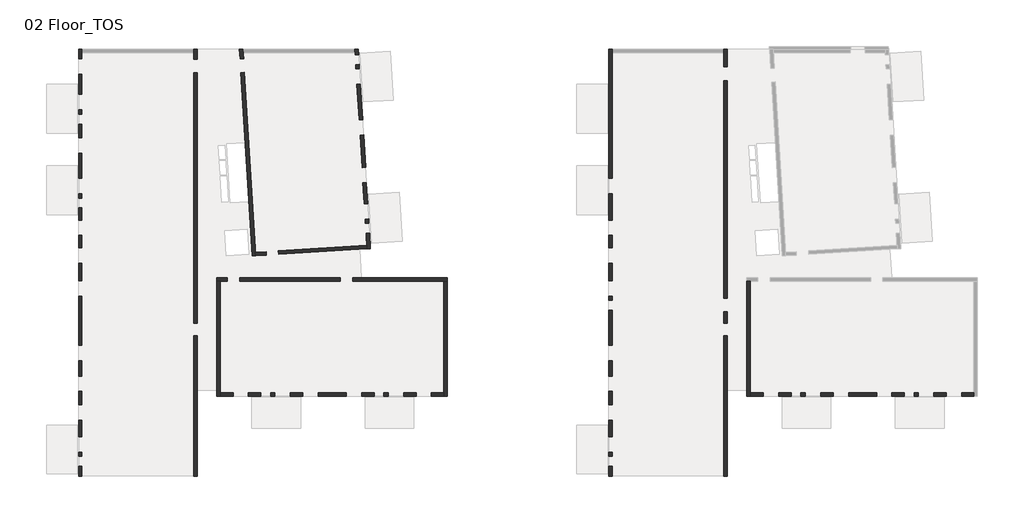
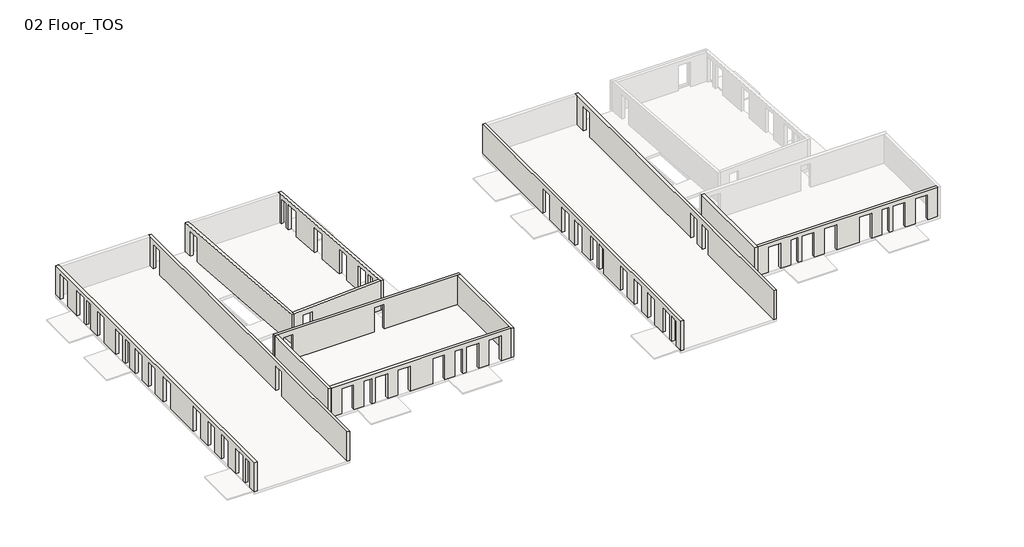
# One storey, part 1 of 2: 13 walls.
"""IFC4 building model written with IfcOpenShell, lengths in millimetres."""

from ifc_helpers import new_model, si_unit, frame, origin, place, context, project, spatial, polyline, outline, extrude, faceted_brep, element, save

model = new_model("IFC4")

# Units and contexts
model_context = context("Model", 3, world=origin())
ifc_project = project(units=[si_unit("LENGTHUNIT", "METRE", prefix="MILLI")], contexts=[model_context])

# Site, building, storey
site = spatial("IfcSite", under=ifc_project)
building = spatial("IfcBuilding", under=site)
storey = spatial("IfcBuildingStorey", under=building, Name="02 Floor_TOS", Elevation=6850.0)

# Walls
placement = place(None, origin())
element("IfcWall", 1, ObjectType="STB(25)", at=placement, inside=storey, context=model_context, shape_type="Brep", body=[
    faceted_brep([(26949.2752583, 33257.8507754, 9600.0), (27822.7531326, 18976.6137696, 9600.0), (27822.7531326, 18976.6137696, 6850.0), (27754.3968698, 20094.228786, 6850.0), (27754.3968698, 20094.228786, 9200.0), (27711.6628922, 20792.9231449, 9200.0), (27711.6628922, 20792.9231449, 6850.0), (27692.7378448, 21102.3449336, 6850.0), (27692.7378448, 21102.3449336, 9200.0), (27625.5844513, 22200.2932118, 9200.0), (27625.5844513, 22200.2932118, 6850.0), (27534.1772783, 23694.7872811, 6850.0), (27534.1772783, 23694.7872811, 9200.0), (27467.0238848, 24792.7355593, 9200.0), (27467.0238848, 24792.7355593, 6850.0), (27324.1703023, 27128.3709876, 6850.0), (27324.1703023, 27128.3709876, 9200.0), (27257.0169088, 28226.3192659, 9200.0), (27257.0169088, 28226.3192659, 6850.0), (27101.343133, 30771.5630019, 6850.0), (27101.343133, 30771.5630019, 9200.0), (27034.1897395, 31869.5112801, 9200.0), (27034.1897395, 31869.5112801, 6850.0), (27015.2646922, 32178.9330676, 6850.0), (27015.2646922, 32178.9330676, 9200.0), (26972.5307145, 32877.6274265, 9200.0), (26972.5307145, 32877.6274265, 6850.0), (26949.2752583, 33257.8507754, 6850.0), (27573.2194329, 18961.3516347, 9600.0), (27557.9572981, 19210.8853343, 9600.0), (26714.0987416, 33007.8507754, 9600.0), (26698.8080865, 33257.8507754, 9600.0), (26698.8080865, 33257.8507754, 6850.0), (26714.0987416, 33007.8507754, 6850.0), (26722.9970149, 32862.3652917, 6850.0), (26722.9970149, 32862.3652917, 9200.0), (26765.7309926, 32163.6709328, 9200.0), (26765.7309926, 32163.6709328, 6850.0), (26784.6560399, 31854.2491452, 6850.0), (26784.6560399, 31854.2491452, 9200.0), (26851.8094334, 30756.300867, 9200.0), (26851.8094334, 30756.300867, 6850.0), (27007.4832092, 28211.057131, 6850.0), (27007.4832092, 28211.057131, 9200.0), (27074.6366027, 27113.1088527, 9200.0), (27074.6366027, 27113.1088527, 6850.0), (27217.4901852, 24777.4734244, 6850.0), (27217.4901852, 24777.4734244, 9200.0), (27284.6435787, 23679.5251462, 9200.0), (27284.6435787, 23679.5251462, 6850.0), (27376.0507517, 22185.031077, 6850.0), (27376.0507517, 22185.031077, 9200.0), (27443.2041452, 21087.0827987, 9200.0), (27443.2041452, 21087.0827987, 6850.0), (27462.1291926, 20777.66101, 6850.0), (27462.1291926, 20777.66101, 9200.0), (27504.8631702, 20078.9666511, 9200.0), (27504.8631702, 20078.9666511, 6850.0), (27557.9572981, 19210.8853343, 6850.0), (27573.2194329, 18961.3516347, 6850.0)], [[[0, 1, 2, 3, 4, 5, 6, 7, 8, 9, 10, 11, 12, 13, 14, 15, 16, 17, 18, 19, 20, 21, 22, 23, 24, 25, 26, 27]], [[28, 29, 30, 31, 32, 33, 34, 35, 36, 37, 38, 39, 40, 41, 42, 43, 44, 45, 46, 47, 48, 49, 50, 51, 52, 53, 54, 55, 56, 57, 58, 59]], [[37, 23, 22, 38]], [[2, 59, 58, 57, 3]], [[41, 19, 18, 42]], [[10, 50, 49, 11]], [[53, 7, 6, 54]], [[26, 34, 33, 32, 27]], [[45, 15, 14, 46]], [[1, 0, 31, 30, 29, 28]], [[25, 35, 34, 26]], [[36, 24, 23, 37]], [[56, 4, 3, 57]], [[5, 55, 54, 6]], [[2, 1, 28, 59]], [[20, 40, 39, 21]], [[40, 20, 19, 41]], [[21, 39, 38, 22]], [[8, 52, 51, 9]], [[9, 51, 50, 10]], [[52, 8, 7, 53]], [[24, 36, 35, 25]], [[4, 56, 55, 5]], [[16, 44, 43, 17]], [[44, 16, 15, 45]], [[17, 43, 42, 18]], [[12, 48, 47, 13]], [[48, 12, 11, 49]], [[13, 47, 46, 14]], [[0, 27, 32, 31]]]),
])
element("IfcWall", 2, ObjectType="STB(25)", at=placement, inside=storey, context=model_context, shape_type="Brep", body=[
    faceted_brep([(7149.5112257, 33257.8507754, 6850.0), (7149.5112257, 33257.8507754, 9600.0), (7149.5112257, 2867.8570406, 9600.0), (7149.5112257, 2667.8570406, 9600.0), (7149.5112257, 2667.8570406, 7000.0), (7149.5112257, 2667.8570406, 6850.0), (7149.5112257, 3382.8585979, 6850.0), (7149.5112257, 3382.8585979, 9200.0), (7149.5112257, 4082.8585979, 9200.0), (7149.5112257, 4082.8585979, 6850.0), (7149.5112257, 4392.8585979, 6850.0), (7149.5112257, 4392.8585979, 9200.0), (7149.5112257, 5492.8585979, 9200.0), (7149.5112257, 5492.8585979, 6850.0), (7149.5112257, 6682.8585979, 6850.0), (7149.5112257, 6682.8585979, 9200.0), (7149.5112257, 7782.8585979, 9200.0), (7149.5112257, 7782.8585979, 6850.0), (7149.5112257, 8742.8585979, 6850.0), (7149.5112257, 8742.8585979, 9200.0), (7149.5112257, 9842.8585979, 9200.0), (7149.5112257, 9842.8585979, 6850.0), (7149.5112257, 10952.8585985, 6850.0), (7149.5112257, 10952.8585985, 9200.0), (7149.5112257, 12052.8585985, 9200.0), (7149.5112257, 12052.8585985, 6850.0), (7149.5112257, 15572.8585987, 6850.0), (7149.5112257, 15572.8585987, 9200.0), (7149.5112257, 16672.8585987, 9200.0), (7149.5112257, 16672.8585987, 6850.0), (7149.5112257, 17922.8585979, 6850.0), (7149.5112257, 17922.8585979, 9200.0), (7149.5112257, 19022.8585979, 9200.0), (7149.5112257, 19022.8585979, 6850.0), (7149.5112257, 19922.8585979, 6850.0), (7149.5112257, 19922.8585979, 9200.0), (7149.5112257, 21022.8585979, 9200.0), (7149.5112257, 21022.8585979, 6850.0), (7149.5112257, 21902.8585979, 6850.0), (7149.5112257, 21902.8585979, 9200.0), (7149.5112257, 22602.8585979, 9200.0), (7149.5112257, 22602.8585979, 6850.0), (7149.5112257, 22922.8585979, 6850.0), (7149.5112257, 22922.8585979, 9200.0), (7149.5112257, 24022.8585979, 9200.0), (7149.5112257, 24022.8585979, 6850.0), (7149.5112257, 25822.8585979, 6850.0), (7149.5112257, 25822.8585979, 9200.0), (7149.5112257, 26922.8585979, 9200.0), (7149.5112257, 26922.8585979, 6850.0), (7149.5112257, 27902.7138078, 6850.0), (7149.5112257, 27902.7138078, 9200.0), (7149.5112257, 28602.7138078, 9200.0), (7149.5112257, 28602.7138078, 6850.0), (7149.5112257, 28922.7138078, 6850.0), (7149.5112257, 28922.7138078, 9200.0), (7149.5112257, 30022.7138078, 9200.0), (7149.5112257, 30022.7138078, 6850.0), (7149.5112257, 31474.0326222, 6850.0), (7149.5112257, 31474.0326222, 9200.0), (7149.5112257, 32574.0326222, 9200.0), (7149.5112257, 32574.0326222, 6850.0), (6899.5112257, 33257.8507754, 9600.0), (6899.5112257, 33257.8507754, 6850.0), (6899.5112257, 32574.0326222, 6850.0), (6899.5112257, 32574.0326222, 9200.0), (6899.5112257, 31474.0326222, 9200.0), (6899.5112257, 31474.0326222, 6850.0), (6899.5112257, 30022.7138078, 6850.0), (6899.5112257, 30022.7138078, 9200.0), (6899.5112257, 28922.7138078, 9200.0), (6899.5112257, 28922.7138078, 6850.0), (6899.5112257, 28602.7138078, 6850.0), (6899.5112257, 28602.7138078, 9200.0), (6899.5112257, 27902.7138078, 9200.0), (6899.5112257, 27902.7138078, 6850.0), (6899.5112257, 26922.8585979, 6850.0), (6899.5112257, 26922.8585979, 9200.0), (6899.5112257, 25822.8585979, 9200.0), (6899.5112257, 25822.8585979, 6850.0), (6899.5112257, 24022.8585979, 6850.0), (6899.5112257, 24022.8585979, 9200.0), (6899.5112257, 22922.8585979, 9200.0), (6899.5112257, 22922.8585979, 6850.0), (6899.5112257, 22602.8585979, 6850.0), (6899.5112257, 22602.8585979, 9200.0), (6899.5112257, 21902.8585979, 9200.0), (6899.5112257, 21902.8585979, 6850.0), (6899.5112257, 21022.8585979, 6850.0), (6899.5112257, 21022.8585979, 9200.0), (6899.5112257, 19922.8585979, 9200.0), (6899.5112257, 19922.8585979, 6850.0), (6899.5112257, 19022.8585979, 6850.0), (6899.5112257, 19022.8585979, 9200.0), (6899.5112257, 17922.8585979, 9200.0), (6899.5112257, 17922.8585979, 6850.0), (6899.5112257, 16672.8585987, 6850.0), (6899.5112257, 16672.8585987, 9200.0), (6899.5112257, 15572.8585987, 9200.0), (6899.5112257, 15572.8585987, 6850.0), (6899.5112257, 12052.8585985, 6850.0), (6899.5112257, 12052.8585985, 9200.0), (6899.5112257, 10952.8585985, 9200.0), (6899.5112257, 10952.8585985, 6850.0), (6899.5112257, 9842.8585979, 6850.0), (6899.5112257, 9842.8585979, 9200.0), (6899.5112257, 8742.8585979, 9200.0), (6899.5112257, 8742.8585979, 6850.0), (6899.5112257, 7782.8585979, 6850.0), (6899.5112257, 7782.8585979, 9200.0), (6899.5112257, 6682.8585979, 9200.0), (6899.5112257, 6682.8585979, 6850.0), (6899.5112257, 5492.8585979, 6850.0), (6899.5112257, 5492.8585979, 9200.0), (6899.5112257, 4392.8585979, 9200.0), (6899.5112257, 4392.8585979, 6850.0), (6899.5112257, 4082.8585979, 6850.0), (6899.5112257, 4082.8585979, 9200.0), (6899.5112257, 3382.8585979, 9200.0), (6899.5112257, 3382.8585979, 6850.0), (6899.5112257, 2667.8570406, 6850.0), (6899.5112257, 2667.8570406, 9600.0)], [[[0, 1, 2, 3, 4, 5, 6, 7, 8, 9, 10, 11, 12, 13, 14, 15, 16, 17, 18, 19, 20, 21, 22, 23, 24, 25, 26, 27, 28, 29, 30, 31, 32, 33, 34, 35, 36, 37, 38, 39, 40, 41, 42, 43, 44, 45, 46, 47, 48, 49, 50, 51, 52, 53, 54, 55, 56, 57, 58, 59, 60, 61]], [[62, 63, 64, 65, 66, 67, 68, 69, 70, 71, 72, 73, 74, 75, 76, 77, 78, 79, 80, 81, 82, 83, 84, 85, 86, 87, 88, 89, 90, 91, 92, 93, 94, 95, 96, 97, 98, 99, 100, 101, 102, 103, 104, 105, 106, 107, 108, 109, 110, 111, 112, 113, 114, 115, 116, 117, 118, 119, 120, 121]], [[63, 0, 61, 64]], [[34, 33, 92, 91]], [[30, 29, 96, 95]], [[9, 116, 115, 10]], [[5, 120, 119, 6]], [[13, 112, 111, 14]], [[37, 88, 87, 38]], [[25, 100, 99, 26]], [[103, 22, 21, 104]], [[107, 18, 17, 108]], [[67, 58, 57, 68]], [[79, 46, 45, 80]], [[49, 76, 75, 50]], [[53, 72, 71, 54]], [[41, 84, 83, 42]], [[1, 0, 63, 62]], [[3, 2, 1, 62, 121]], [[118, 7, 6, 119]], [[8, 117, 116, 9]], [[5, 4, 3, 121, 120]], [[113, 12, 11, 114]], [[12, 113, 112, 13]], [[114, 11, 10, 115]], [[117, 8, 7, 118]], [[89, 36, 35, 90]], [[90, 35, 34, 91]], [[36, 89, 88, 37]], [[93, 32, 31, 94]], [[94, 31, 30, 95]], [[32, 93, 92, 33]], [[101, 24, 23, 102]], [[24, 101, 100, 25]], [[102, 23, 22, 103]], [[105, 20, 19, 106]], [[106, 19, 18, 107]], [[20, 105, 104, 21]], [[109, 16, 15, 110]], [[110, 15, 14, 111]], [[16, 109, 108, 17]], [[97, 28, 27, 98]], [[28, 97, 96, 29]], [[98, 27, 26, 99]], [[65, 60, 59, 66]], [[66, 59, 58, 67]], [[60, 65, 64, 61]], [[77, 48, 47, 78]], [[78, 47, 46, 79]], [[48, 77, 76, 49]], [[73, 52, 51, 74]], [[74, 51, 50, 75]], [[52, 73, 72, 53]], [[69, 56, 55, 70]], [[56, 69, 68, 57]], [[70, 55, 54, 71]], [[85, 40, 39, 86]], [[86, 39, 38, 87]], [[40, 85, 84, 41]], [[81, 44, 43, 82]], [[44, 81, 80, 45]], [[82, 43, 42, 83]]]),
])
element("IfcWall", 3, ObjectType="STB(25)", at=placement, inside=storey, context=model_context, shape_type="SweptSolid", body=[
    extrude(outline(polyline([(8533.3975569, -2750.0), (533.397399, -2750.0), (533.397399, 0.0), (1298.4461631, 0.0), (1298.4461631, -2295.0), (2188.4461631, -2295.0), (2188.4461631, 0.0), (8533.3975569, 0.0), (8533.3975569, -2750.0)])), frame((19055.7383826, 18440.4001766, 6850.0), z_axis=(-0.06104853953485425, 0.9981347984218671, 0.0), x_axis=(0.9981347984218671, 0.06104853953485425, 0.0)), (0.0, 0.0, 1.0), 250.0),
])
element("IfcWall", 4, ObjectType="STB(25)", at=placement, inside=storey, context=model_context, shape_type="Brep", body=[
    faceted_brep([(19338.6071883, 18457.7011739, 9600.0), (18433.39126, 33257.8507754, 9600.0), (18433.39126, 33257.8507754, 6850.0), (18474.7923435, 32580.9490444, 6850.0), (18474.7923435, 32580.9490444, 9145.0), (18535.2303976, 31592.795594, 9145.0), (18535.2303976, 31592.795594, 6850.0), (19338.6071883, 18457.7011739, 6850.0), (18683.8584318, 33257.8507754, 9600.0), (18699.1490868, 33007.8507754, 9600.0), (19572.878753, 18722.4970084, 9600.0), (19588.1408879, 18472.9633088, 9600.0), (19588.1408879, 18472.9633088, 6850.0), (19572.878753, 18722.4970084, 6850.0), (18784.7640972, 31608.0577288, 6850.0), (18784.7640972, 31608.0577288, 9145.0), (18724.3260431, 32596.2111793, 9145.0), (18724.3260431, 32596.2111793, 6850.0), (18699.1490868, 33007.8507754, 6850.0), (18683.8584318, 33257.8507754, 6850.0)], [[[0, 1, 2, 3, 4, 5, 6, 7]], [[8, 9, 10, 11, 12, 13, 14, 15, 16, 17, 18, 19]], [[12, 7, 6, 14, 13]], [[2, 19, 18, 17, 3]], [[1, 0, 11, 10, 9, 8]], [[0, 7, 12, 11]], [[16, 4, 3, 17]], [[5, 15, 14, 6]], [[4, 16, 15, 5]], [[2, 1, 8, 19]]]),
])
element("IfcWall", 5, ObjectType="STB(25)", at=placement, inside=storey, context=model_context, shape_type="Brep", body=[
    faceted_brep([(15399.5112257, 33257.8507754, 9600.0), (15399.5112257, 2667.8570406, 9600.0), (15399.5112257, 2667.8570406, 6850.0), (15399.5112257, 12747.8585979, 6850.0), (15399.5112257, 12747.8585979, 9145.0), (15399.5112257, 13637.8585979, 9145.0), (15399.5112257, 13637.8585979, 6850.0), (15399.5112257, 31567.8507754, 6850.0), (15399.5112257, 31567.8507754, 9145.0), (15399.5112257, 32557.8507754, 9145.0), (15399.5112257, 32557.8507754, 6850.0), (15399.5112257, 33257.8507754, 6850.0), (15149.5112257, 2667.8570406, 9600.0), (15149.5112257, 2867.8570406, 9600.0), (15149.5112257, 33007.8507754, 9600.0), (15149.5112257, 33257.8507754, 9600.0), (15149.5112257, 33257.8507754, 6850.0), (15149.5112257, 33007.8507754, 6850.0), (15149.5112257, 32557.8507754, 6850.0), (15149.5112257, 32557.8507754, 9145.0), (15149.5112257, 31567.8507754, 9145.0), (15149.5112257, 31567.8507754, 6850.0), (15149.5112257, 13637.8585979, 6850.0), (15149.5112257, 13637.8585979, 9145.0), (15149.5112257, 12747.8585979, 9145.0), (15149.5112257, 12747.8585979, 6850.0), (15149.5112257, 2667.8570406, 6850.0), (15149.5112257, 2667.8570406, 7000.0)], [[[0, 1, 2, 3, 4, 5, 6, 7, 8, 9, 10, 11]], [[12, 13, 14, 15, 16, 17, 18, 19, 20, 21, 22, 23, 24, 25, 26, 27]], [[2, 26, 25, 3]], [[6, 22, 21, 7]], [[16, 11, 10, 18, 17]], [[1, 0, 15, 14, 13, 12]], [[2, 1, 12, 27, 26]], [[6, 5, 23, 22]], [[4, 3, 25, 24]], [[5, 4, 24, 23]], [[11, 16, 15, 0]], [[9, 19, 18, 10]], [[20, 8, 7, 21]], [[19, 9, 8, 20]]]),
])
element("IfcWall", 6, ObjectType="STB(25)", at=placement, inside=storey, context=model_context, shape_type="Brep", body=[
    faceted_brep([(33319.5112257, 16649.4012959, 9600.0), (33069.5112257, 16649.4012959, 9600.0), (17049.5112257, 16649.4012959, 9600.0), (16799.5112257, 16649.4012959, 9600.0), (16799.5112257, 16649.4012959, 6850.0), (17049.5112257, 16649.4012959, 6850.0), (17569.2673858, 16649.4012959, 6850.0), (17569.2673858, 16649.4012959, 9145.0), (18459.2673858, 16649.4012959, 9145.0), (18459.2673858, 16649.4012959, 6850.0), (25659.2606665, 16649.4012959, 6850.0), (25659.2606665, 16649.4012959, 9145.0), (26549.2606665, 16649.4012959, 9145.0), (26549.2606665, 16649.4012959, 6850.0), (33069.5112257, 16649.4012959, 6850.0), (33319.5112257, 16649.4012959, 6850.0), (16799.5112257, 16899.4012959, 9600.0), (33319.5112257, 16899.4012959, 9600.0), (33319.5112257, 16899.4012959, 6850.0), (26549.2606665, 16899.4012959, 6850.0), (26549.2606665, 16899.4012959, 9145.0), (25659.2606665, 16899.4012959, 9145.0), (25659.2606665, 16899.4012959, 6850.0), (18459.2673858, 16899.4012959, 6850.0), (18459.2673858, 16899.4012959, 9145.0), (17569.2673858, 16899.4012959, 9145.0), (17569.2673858, 16899.4012959, 6850.0), (16799.5112257, 16899.4012959, 6850.0)], [[[0, 1, 2, 3, 4, 5, 6, 7, 8, 9, 10, 11, 12, 13, 14, 15]], [[16, 17, 18, 19, 20, 21, 22, 23, 24, 25, 26, 27]], [[6, 5, 4, 27, 26]], [[18, 15, 14, 13, 19]], [[9, 23, 22, 10]], [[3, 2, 1, 0, 17, 16]], [[4, 3, 16, 27]], [[0, 15, 18, 17]], [[7, 6, 26, 25]], [[9, 8, 24, 23]], [[8, 7, 25, 24]], [[21, 11, 10, 22]], [[12, 20, 19, 13]], [[11, 21, 20, 12]]]),
])
element("IfcWall", 7, ObjectType="STB(25)", at=placement, inside=storey, context=model_context, shape_type="Brep", body=[
    faceted_brep([(17049.5112257, 8399.4012959, 6850.0), (17049.5112257, 8649.4012959, 6850.0), (17049.5112257, 16649.4012959, 6850.0), (17049.5112257, 16649.4012959, 9600.0), (17049.5112257, 8649.4012959, 9600.0), (17049.5112257, 8399.4012959, 9600.0), (16799.5112257, 8399.4012959, 6850.0), (16799.5112257, 8399.4012959, 9600.0), (16799.5112257, 16649.4012959, 9600.0), (16799.5112257, 16649.4012959, 6850.0)], [[[0, 1, 2, 3, 4, 5]], [[6, 7, 8, 9]], [[2, 1, 0, 6, 9]], [[5, 4, 3, 8, 7]], [[3, 2, 9, 8]], [[0, 5, 7, 6]]]),
])
element("IfcWall", 8, ObjectType="STB(25)", at=placement, inside=storey, context=model_context, shape_type="SweptSolid", body=[
    extrude(outline(polyline([(9600.0, 33069.5112257), (9600.0, 17049.5112257), (6850.0, 17049.5112257), (6850.0, 17979.7959279), (9200.0, 17979.7959279), (9200.0, 19079.7959279), (6850.0, 19079.7959279), (6850.0, 19969.5112257), (9200.0, 19969.5112257), (9200.0, 20669.5112257), (6850.0, 20669.5112257), (6850.0, 20979.7963269), (9200.0, 20979.7963269), (9200.0, 22079.7963269), (6850.0, 22079.7963269), (6850.0, 22979.7965077), (9200.0, 22979.7965077), (9200.0, 24079.7965077), (6850.0, 24079.7965077), (6850.0, 26089.796893), (9200.0, 26089.796893), (9200.0, 27189.796893), (6850.0, 27189.796893), (6850.0, 28079.7975851), (9200.0, 28079.7975851), (9200.0, 28779.7975851), (6850.0, 28779.7975851), (6850.0, 29089.7972097), (9200.0, 29089.7972097), (9200.0, 30189.7972097), (6850.0, 30189.7972097), (6850.0, 31089.797509), (9200.0, 31089.797509), (9200.0, 32189.797509), (6850.0, 32189.797509), (6850.0, 33069.5112257), (9600.0, 33069.5112257)])), frame((0.0, 8399.4012959, 0.0), z_axis=(0.0, 1.0, 0.0), x_axis=(0.0, 0.0, 1.0)), (0.0, 0.0, 1.0), 250.0),
])
element("IfcWall", 9, ObjectType="STB(25)", at=placement, inside=storey, context=model_context, shape_type="Brep", body=[
    faceted_brep([(33319.5112257, 8399.4012959, 6850.0), (33319.5112257, 16649.4012959, 6850.0), (33319.5112257, 16649.4012959, 9600.0), (33319.5112257, 8399.4012959, 9600.0), (33069.5112257, 8399.4012959, 6850.0), (33069.5112257, 8399.4012959, 9600.0), (33069.5112257, 8649.4012959, 9600.0), (33069.5112257, 16649.4012959, 9600.0), (33069.5112257, 16649.4012959, 6850.0), (33069.5112257, 8649.4012959, 6850.0)], [[[0, 1, 2, 3]], [[4, 5, 6, 7, 8, 9]], [[1, 0, 4, 9, 8]], [[3, 2, 7, 6, 5]], [[2, 1, 8, 7]], [[0, 3, 5, 4]]]),
])
element("IfcWall", 10, ObjectType="STB(25)", at=placement, inside=storey, context=model_context, shape_type="Brep", body=[
    faceted_brep([(45149.5112257, 33257.8507754, 6850.0), (45149.5112257, 33257.8507754, 9600.0), (45149.5112257, 2867.8570406, 9600.0), (45149.5112257, 2667.8570406, 9600.0), (45149.5112257, 2667.8570406, 7000.0), (45149.5112257, 2667.8570406, 6850.0), (45149.5112257, 3382.8585979, 6850.0), (45149.5112257, 3382.8585979, 9200.0), (45149.5112257, 4082.8585979, 9200.0), (45149.5112257, 4082.8585979, 6850.0), (45149.5112257, 4392.8585979, 6850.0), (45149.5112257, 4392.8585979, 9200.0), (45149.5112257, 5492.8585979, 9200.0), (45149.5112257, 5492.8585979, 6850.0), (45149.5112257, 6682.8585979, 6850.0), (45149.5112257, 6682.8585979, 9200.0), (45149.5112257, 7782.8585979, 9200.0), (45149.5112257, 7782.8585979, 6850.0), (45149.5112257, 8742.8585979, 6850.0), (45149.5112257, 8742.8585979, 9200.0), (45149.5112257, 9842.8585979, 9200.0), (45149.5112257, 9842.8585979, 6850.0), (45149.5112257, 10952.8585985, 6850.0), (45149.5112257, 10952.8585985, 9200.0), (45149.5112257, 12052.8585985, 9200.0), (45149.5112257, 12052.8585985, 6850.0), (45149.5112257, 14562.8585979, 6850.0), (45149.5112257, 14562.8585979, 9200.0), (45149.5112257, 15262.8585979, 9200.0), (45149.5112257, 15262.8585979, 6850.0), (45149.5112257, 15572.8585987, 6850.0), (45149.5112257, 15572.8585987, 9200.0), (45149.5112257, 16672.8585987, 9200.0), (45149.5112257, 16672.8585987, 6850.0), (45149.5112257, 17922.8585979, 6850.0), (45149.5112257, 17922.8585979, 9200.0), (45149.5112257, 19022.8585979, 9200.0), (45149.5112257, 19022.8585979, 6850.0), (45149.5112257, 19922.8585979, 6850.0), (45149.5112257, 19922.8585979, 9200.0), (45149.5112257, 21022.8585979, 9200.0), (45149.5112257, 21022.8585979, 6850.0), (45149.5112257, 22922.8585979, 6850.0), (45149.5112257, 22922.8585979, 9200.0), (45149.5112257, 24022.8585979, 9200.0), (45149.5112257, 24022.8585979, 6850.0), (44899.5112257, 33257.8507754, 9600.0), (44899.5112257, 33257.8507754, 6850.0), (44899.5112257, 24022.8585979, 6850.0), (44899.5112257, 24022.8585979, 9200.0), (44899.5112257, 22922.8585979, 9200.0), (44899.5112257, 22922.8585979, 6850.0), (44899.5112257, 21022.8585979, 6850.0), (44899.5112257, 21022.8585979, 9200.0), (44899.5112257, 19922.8585979, 9200.0), (44899.5112257, 19922.8585979, 6850.0), (44899.5112257, 19022.8585979, 6850.0), (44899.5112257, 19022.8585979, 9200.0), (44899.5112257, 17922.8585979, 9200.0), (44899.5112257, 17922.8585979, 6850.0), (44899.5112257, 16672.8585987, 6850.0), (44899.5112257, 16672.8585987, 9200.0), (44899.5112257, 15572.8585987, 9200.0), (44899.5112257, 15572.8585987, 6850.0), (44899.5112257, 15262.8585979, 6850.0), (44899.5112257, 15262.8585979, 9200.0), (44899.5112257, 14562.8585979, 9200.0), (44899.5112257, 14562.8585979, 6850.0), (44899.5112257, 12052.8585985, 6850.0), (44899.5112257, 12052.8585985, 9200.0), (44899.5112257, 10952.8585985, 9200.0), (44899.5112257, 10952.8585985, 6850.0), (44899.5112257, 9842.8585979, 6850.0), (44899.5112257, 9842.8585979, 9200.0), (44899.5112257, 8742.8585979, 9200.0), (44899.5112257, 8742.8585979, 6850.0), (44899.5112257, 7782.8585979, 6850.0), (44899.5112257, 7782.8585979, 9200.0), (44899.5112257, 6682.8585979, 9200.0), (44899.5112257, 6682.8585979, 6850.0), (44899.5112257, 5492.8585979, 6850.0), (44899.5112257, 5492.8585979, 9200.0), (44899.5112257, 4392.8585979, 9200.0), (44899.5112257, 4392.8585979, 6850.0), (44899.5112257, 4082.8585979, 6850.0), (44899.5112257, 4082.8585979, 9200.0), (44899.5112257, 3382.8585979, 9200.0), (44899.5112257, 3382.8585979, 6850.0), (44899.5112257, 2667.8570406, 6850.0), (44899.5112257, 2667.8570406, 9600.0)], [[[0, 1, 2, 3, 4, 5, 6, 7, 8, 9, 10, 11, 12, 13, 14, 15, 16, 17, 18, 19, 20, 21, 22, 23, 24, 25, 26, 27, 28, 29, 30, 31, 32, 33, 34, 35, 36, 37, 38, 39, 40, 41, 42, 43, 44, 45]], [[46, 47, 48, 49, 50, 51, 52, 53, 54, 55, 56, 57, 58, 59, 60, 61, 62, 63, 64, 65, 66, 67, 68, 69, 70, 71, 72, 73, 74, 75, 76, 77, 78, 79, 80, 81, 82, 83, 84, 85, 86, 87, 88, 89]], [[47, 0, 45, 48]], [[38, 37, 56, 55]], [[34, 33, 60, 59]], [[30, 29, 64, 63]], [[26, 25, 68, 67]], [[22, 21, 72, 71]], [[18, 17, 76, 75]], [[14, 13, 80, 79]], [[6, 5, 88, 87]], [[10, 9, 84, 83]], [[41, 52, 51, 42]], [[1, 0, 47, 46]], [[3, 2, 1, 46, 89]], [[86, 7, 6, 87]], [[8, 85, 84, 9]], [[66, 27, 26, 67]], [[28, 65, 64, 29]], [[5, 4, 3, 89, 88]], [[61, 32, 31, 62]], [[32, 61, 60, 33]], [[62, 31, 30, 63]], [[81, 12, 11, 82]], [[12, 81, 80, 13]], [[82, 11, 10, 83]], [[65, 28, 27, 66]], [[85, 8, 7, 86]], [[53, 40, 39, 54]], [[54, 39, 38, 55]], [[40, 53, 52, 41]], [[57, 36, 35, 58]], [[58, 35, 34, 59]], [[36, 57, 56, 37]], [[69, 24, 23, 70]], [[24, 69, 68, 25]], [[70, 23, 22, 71]], [[73, 20, 19, 74]], [[74, 19, 18, 75]], [[20, 73, 72, 21]], [[77, 16, 15, 78]], [[78, 15, 14, 79]], [[16, 77, 76, 17]], [[49, 44, 43, 50]], [[44, 49, 48, 45]], [[50, 43, 42, 51]]]),
])
element("IfcWall", 11, ObjectType="STB(25)", at=placement, inside=storey, context=model_context, shape_type="Brep", body=[
    faceted_brep([(53399.5112257, 33257.8507754, 9600.0), (53399.5112257, 2667.8570406, 9600.0), (53399.5112257, 2667.8570406, 6850.0), (53399.5112257, 12747.8585979, 6850.0), (53399.5112257, 12747.8585979, 9145.0), (53399.5112257, 13637.8585979, 9145.0), (53399.5112257, 13637.8585979, 6850.0), (53399.5112257, 14437.8585979, 6850.0), (53399.5112257, 14437.8585979, 9145.0), (53399.5112257, 15427.8585979, 9145.0), (53399.5112257, 15427.8585979, 6850.0), (53399.5112257, 31017.8507754, 6850.0), (53399.5112257, 31017.8507754, 9145.0), (53399.5112257, 32007.8507754, 9145.0), (53399.5112257, 32007.8507754, 6850.0), (53399.5112257, 33257.8507754, 6850.0), (53149.5112257, 2667.8570406, 9600.0), (53149.5112257, 2867.8570406, 9600.0), (53149.5112257, 33007.8507754, 9600.0), (53149.5112257, 33257.8507754, 9600.0), (53149.5112257, 33257.8507754, 6850.0), (53149.5112257, 33007.8507754, 6850.0), (53149.5112257, 32007.8507754, 6850.0), (53149.5112257, 32007.8507754, 9145.0), (53149.5112257, 31017.8507754, 9145.0), (53149.5112257, 31017.8507754, 6850.0), (53149.5112257, 15427.8585979, 6850.0), (53149.5112257, 15427.8585979, 9145.0), (53149.5112257, 14437.8585979, 9145.0), (53149.5112257, 14437.8585979, 6850.0), (53149.5112257, 13637.8585979, 6850.0), (53149.5112257, 13637.8585979, 9145.0), (53149.5112257, 12747.8585979, 9145.0), (53149.5112257, 12747.8585979, 6850.0), (53149.5112257, 2667.8570406, 6850.0), (53149.5112257, 2667.8570406, 7000.0)], [[[0, 1, 2, 3, 4, 5, 6, 7, 8, 9, 10, 11, 12, 13, 14, 15]], [[16, 17, 18, 19, 20, 21, 22, 23, 24, 25, 26, 27, 28, 29, 30, 31, 32, 33, 34, 35]], [[2, 34, 33, 3]], [[6, 30, 29, 7]], [[20, 15, 14, 22, 21]], [[25, 11, 10, 26]], [[1, 0, 19, 18, 17, 16]], [[2, 1, 16, 35, 34]], [[6, 5, 31, 30]], [[4, 3, 33, 32]], [[5, 4, 32, 31]], [[0, 15, 20, 19]], [[24, 12, 11, 25]], [[13, 23, 22, 14]], [[12, 24, 23, 13]], [[9, 27, 26, 10]], [[28, 8, 7, 29]], [[27, 9, 8, 28]]]),
])
element("IfcWall", 12, ObjectType="STB(25)", at=placement, inside=storey, context=model_context, shape_type="Brep", body=[
    faceted_brep([(55049.5112257, 8399.4012959, 6850.0), (55049.5112257, 8649.4012959, 6850.0), (55049.5112257, 16649.4012959, 6850.0), (55049.5112257, 16649.4012959, 9600.0), (55049.5112257, 8649.4012959, 9600.0), (55049.5112257, 8399.4012959, 9600.0), (54799.5112257, 8399.4012959, 6850.0), (54799.5112257, 8399.4012959, 9600.0), (54799.5112257, 16649.4012959, 9600.0), (54799.5112257, 16649.4012959, 6850.0)], [[[0, 1, 2, 3, 4, 5]], [[6, 7, 8, 9]], [[2, 1, 0, 6, 9]], [[5, 4, 3, 8, 7]], [[3, 2, 9, 8]], [[0, 5, 7, 6]]]),
])
element("IfcWall", 13, ObjectType="STB(25)", at=placement, inside=storey, context=model_context, shape_type="SweptSolid", body=[
    extrude(outline(polyline([(9600.0, 71069.5112257), (9600.0, 55049.5112257), (6850.0, 55049.5112257), (6850.0, 55979.7959279), (9200.0, 55979.7959279), (9200.0, 57079.7959279), (6850.0, 57079.7959279), (6850.0, 57969.5112257), (9200.0, 57969.5112257), (9200.0, 58669.5112257), (6850.0, 58669.5112257), (6850.0, 58979.7963269), (9200.0, 58979.7963269), (9200.0, 60079.7963269), (6850.0, 60079.7963269), (6850.0, 60979.7965077), (9200.0, 60979.7965077), (9200.0, 62079.7965077), (6850.0, 62079.7965077), (6850.0, 64089.796893), (9200.0, 64089.796893), (9200.0, 65189.796893), (6850.0, 65189.796893), (6850.0, 66079.7975851), (9200.0, 66079.7975851), (9200.0, 66779.7975851), (6850.0, 66779.7975851), (6850.0, 67089.7972097), (9200.0, 67089.7972097), (9200.0, 68189.7972097), (6850.0, 68189.7972097), (6850.0, 69089.797509), (9200.0, 69089.797509), (9200.0, 70189.797509), (6850.0, 70189.797509), (6850.0, 71069.5112257), (9600.0, 71069.5112257)])), frame((0.0, 8399.4012959, 0.0), z_axis=(0.0, 1.0, 0.0), x_axis=(0.0, 0.0, 1.0)), (0.0, 0.0, 1.0), 250.0),
])

save(model, "model.ifc")
